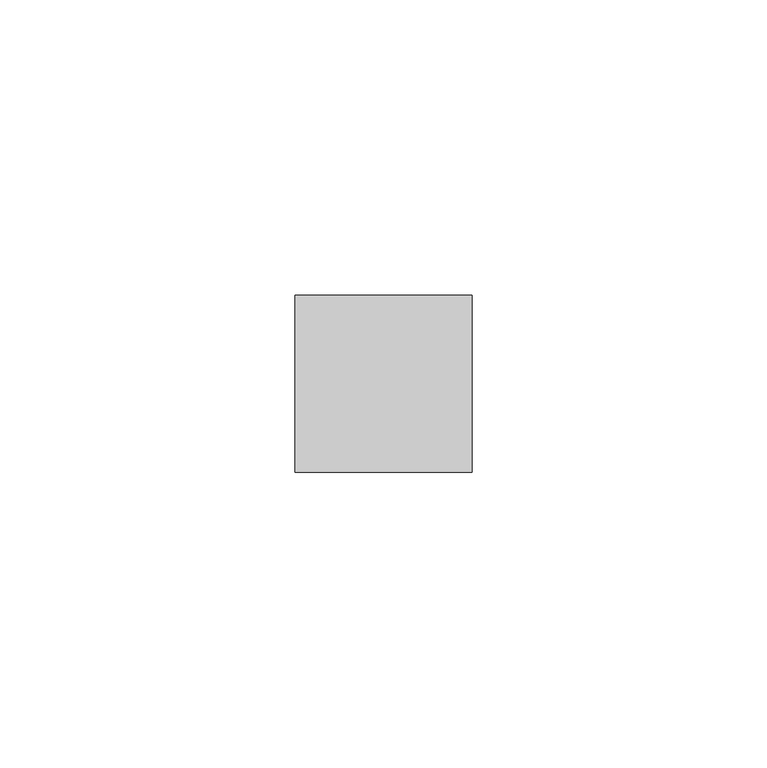
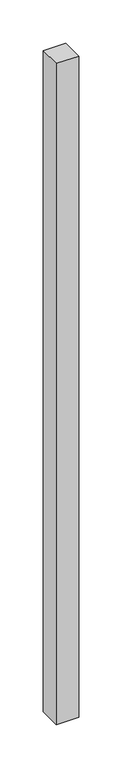
"""IFC4 building model written with IfcOpenShell, lengths in millimetres: member geometry."""

from ifc_helpers import new_model, si_unit, frame, origin, place, context, project, spatial, polyline, outline, extrude, source, transform, mapped, element, save


def member_58917f65(model_context):
    return source(origin(), model_context, "Body", "SweptSolid", [
        extrude(outline(polyline([(15.0, 15.0), (15.0, -15.0), (-15.0, -15.0), (-15.0, 15.0), (15.0, 15.0)])), frame((0.0, 0.0, -935.0), z_axis=(0.0, 0.0, 1.0), x_axis=(1.0, 0.0, 0.0)), (0.0, 0.0, 1.0), 935.0),
    ])


if __name__ == "__main__":
    model = new_model("IFC4")
    model_context = context("Model", 3, world=origin())
    ifc_project = project(units=[si_unit("LENGTHUNIT", "METRE", prefix="MILLI")], contexts=[model_context])
    site = spatial("IfcSite", under=ifc_project)
    building = spatial("IfcBuilding", under=site)
    placement = place(None, origin())
    member_shape = member_58917f65(model_context)
    element("IfcMember", 1, at=placement, inside=building, context=model_context, shape_type="MappedRepresentation", body=[
        mapped(member_shape, transform((0.0, 0.0, 0.0), x_axis=(1.0, 0.0, 0.0), y_axis=(0.0, 1.0, 0.0), z_axis=(0.0, 0.0, 1.0))),
    ])
    save(model, "model.ifc")
